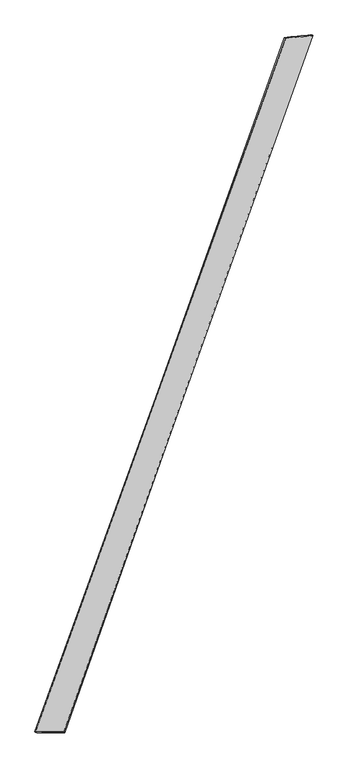
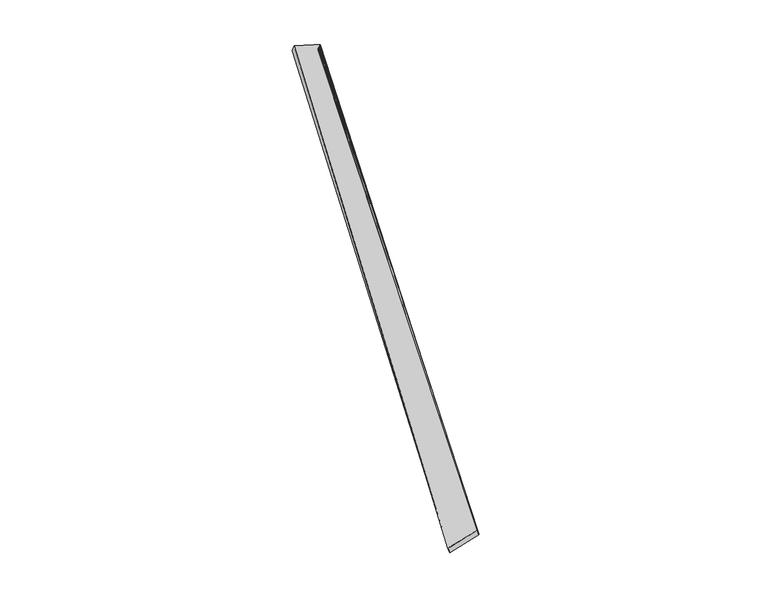
"""IFC4 building model written with IfcOpenShell, lengths in millimetres: proxy geometry."""

from ifc_helpers import new_model, si_unit, origin, place, context, project, spatial, source, transform, mapped, element, save
from ifc_brep_helpers import spline_surface, advanced_brep


def generic_models_d6f300d7(model_context):
    return source(origin(), model_context, "Body", "AdvancedBrep", [
        advanced_brep(
        [(-736.4543074, -1865.6842455, -25.6953993), (-746.6919888, -1862.4078263, 2.3127237), (734.3889931, 2234.3953859, 56.4485081), (724.6988649, 2238.21572, 28.3147834), (-577.0047416, -1863.0985399, 54.5457381), (892.6974866, 2249.9185581, -0.6107709), (-569.7369236, -1866.0369884, 25.588108), (881.4923661, 2253.5055138, -28.2074921)],
        [
            (0, 1),
            (1, 2),
            (2, 3),
            (3, 0),
            (1, 4),
            (4, 5),
            (5, 2),
            (4, 6),
            (6, 7),
            (7, 5),
            (6, 0),
            (3, 7),
        ],
        [
            spline_surface(1, 1, [[(-736.4543074, -1865.6842455, -25.6953993), (724.6988649, 2238.21572, 28.3147834)], [(-746.6919888, -1862.4078263, 2.3127237), (734.3889931, 2234.3953859, 56.4485081)]], [2, 2], [2, 2], [0.0, 1.0], [0.0, 1.0]),
            spline_surface(1, 1, [[(-746.6919888, -1862.4078263, 2.3127237), (734.3889931, 2234.3953859, 56.4485081)], [(-577.0047416, -1863.0985399, 54.5457381), (892.6974866, 2249.9185581, -0.6107709)]], [2, 2], [2, 2], [0.0, 1.0], [0.0, 1.0]),
            spline_surface(1, 1, [[(-577.0047416, -1863.0985399, 54.5457381), (892.6974866, 2249.9185581, -0.6107709)], [(-569.7369236, -1866.0369884, 25.588108), (881.4923661, 2253.5055138, -28.2074921)]], [2, 2], [2, 2], [0.0, 1.0], [0.0, 1.0]),
            spline_surface(1, 1, [[(-569.7369236, -1866.0369884, 25.588108), (881.4923661, 2253.5055138, -28.2074921)], [(-736.4543074, -1865.6842455, -25.6953993), (724.6988649, 2238.21572, 28.3147834)]], [2, 2], [2, 2], [0.0, 1.0], [0.0, 1.0]),
            spline_surface(1, 1, [[(734.3889931, 2234.3953859, 56.4485081), (724.6988649, 2238.21572, 28.3147834)], [(892.6974866, 2249.9185581, -0.6107709), (881.4923661, 2253.5055138, -28.2074921)]], [2, 2], [2, 2], [0.0, 1.0], [0.0, 1.0]),
            spline_surface(1, 1, [[(-569.7369236, -1866.0369884, 25.588108), (-736.4543074, -1865.6842455, -25.6953993)], [(-577.0047416, -1863.0985399, 54.5457381), (-746.6919888, -1862.4078263, 2.3127237)]], [2, 2], [2, 2], [0.0, 1.0], [0.0, 1.0]),
        ],
        [
            (0, [[1, 2, 3, 4]]),
            (1, [[5, 6, 7, -2]]),
            (2, [[8, 9, 10, -6]]),
            (3, [[11, -4, 12, -9]]),
            (4, [[-3, -7, -10, -12]]),
            (5, [[-11, -8, -5, -1]]),
        ],
    ),
    ])


if __name__ == "__main__":
    model = new_model("IFC4")
    model_context = context("Model", 3, world=origin())
    ifc_project = project(units=[si_unit("LENGTHUNIT", "METRE", prefix="MILLI")], contexts=[model_context])
    site = spatial("IfcSite", under=ifc_project)
    building = spatial("IfcBuilding", under=site)
    placement = place(None, origin())
    generic_models_shape = generic_models_d6f300d7(model_context)
    element("IfcBuildingElementProxy", 1, Name="Generic Models", at=placement, inside=building, context=model_context, shape_type="MappedRepresentation", body=[
        mapped(generic_models_shape, transform((0.0, 0.0, 0.0), x_axis=(1.0, 0.0, 0.0), y_axis=(0.0, 1.0, 0.0), z_axis=(0.0, 0.0, 1.0))),
    ])
    save(model, "model.ifc")
